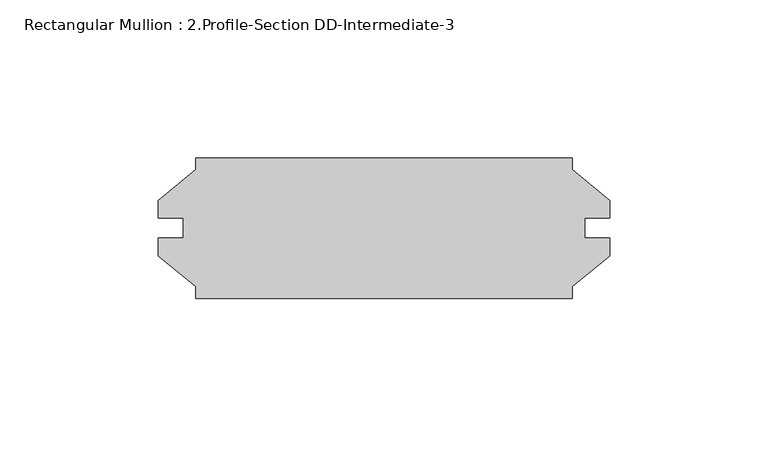
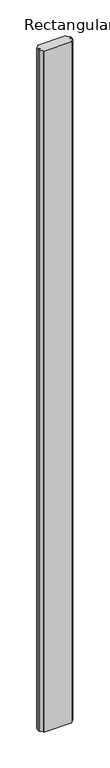
"""IFC4 building model written with IfcOpenShell, lengths in millimetres: member geometry, Rectangular Mullion : 2.Profile-Section DD-Intermediate-3."""

from ifc_helpers import new_model, si_unit, frame, origin, place, context, project, spatial, polyline, outline, extrude, source, transform, mapped, element, save


def rectangular_mullion_2_profile_section_dd_intermediate_3_c787d56a(model_context):
    return source(origin(), model_context, "Body", "SweptSolid", [
        extrude(outline(polyline([(-11.8999, -18.5136261), (-11.8999, -22.225), (-130.95605, -22.225), (-130.95605, -18.518836), (-142.8623, -8.7503), (-142.8623, -3.175), (-134.91845, -3.175), (-134.91845, 3.175), (-142.8623, 3.175), (-142.8623, 8.7503), (-130.95605, 18.518836), (-130.95605, 22.225), (-11.90625, 22.225), (-11.90625, 18.518836), (0.0, 8.7503), (0.0, 3.175), (-7.9375, 3.175), (-7.9375, -3.175), (0.0, -3.175), (0.0, -8.7503), (-11.8999, -18.5136261)])), frame((0.0, 0.0, -3048.0), z_axis=(0.0, 0.0, 1.0), x_axis=(1.0, 0.0, 0.0)), (0.0, 0.0, 1.0), 3048.0),
    ])


if __name__ == "__main__":
    model = new_model("IFC4")
    model_context = context("Model", 3, world=origin())
    ifc_project = project(units=[si_unit("LENGTHUNIT", "METRE", prefix="MILLI")], contexts=[model_context])
    site = spatial("IfcSite", under=ifc_project)
    building = spatial("IfcBuilding", under=site)
    placement = place(None, origin())
    rectangular_mullion_2_profile_section_dd_intermediate_3_shape = rectangular_mullion_2_profile_section_dd_intermediate_3_c787d56a(model_context)
    element("IfcMember", 1, ObjectType="Rectangular Mullion : 2.Profile-Section DD-Intermediate-3", at=placement, inside=building, context=model_context, shape_type="MappedRepresentation", body=[
        mapped(rectangular_mullion_2_profile_section_dd_intermediate_3_shape, transform((0.0, 0.0, 0.0), x_axis=(1.0, 0.0, 0.0), y_axis=(0.0, 1.0, 0.0), z_axis=(0.0, 0.0, 1.0))),
    ])
    save(model, "model.ifc")
